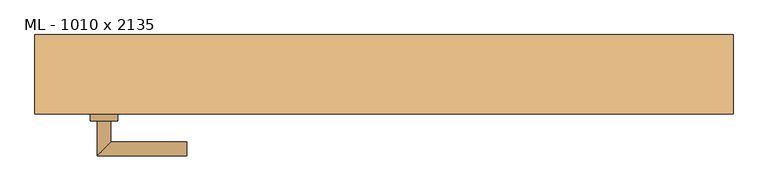
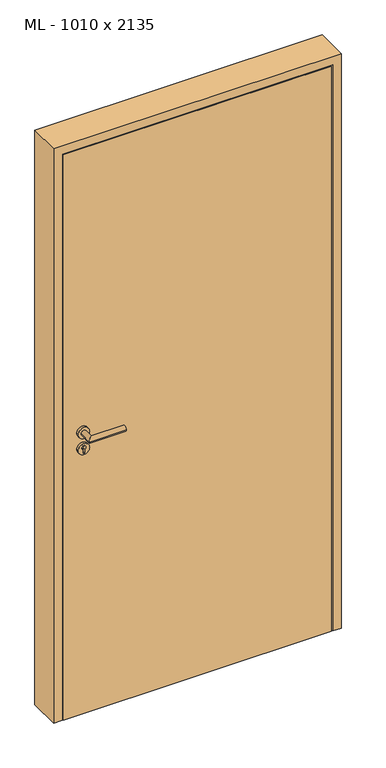
"""IFC4 building model written with IfcOpenShell, lengths in millimetres: door geometry, ML - 1010 x 2135."""

from ifc_helpers import new_model, si_unit, point, frame, frame_2d, origin, origin_with_axes, place, context, project, spatial, polyline, circle_curve, ellipse_curve, trimmed, segment, composite_curve, outline, extrude, faceted_brep, source, transform, mapped, element, save
from ifc_brep_helpers import plane_surface, cylinder_surface, advanced_brep


def ml_1010_x_2135_76923a42(model_context):
    return source(origin(), model_context, "Body", "SolidModel", [
        extrude(outline(polyline([(471.0, -57.5), (-471.0, -57.5), (-471.0, -12.5), (471.0, -12.5), (471.0, -57.5)])), origin_with_axes(), (0.0, 0.0, 1.0), 2101.0),
        advanced_brep(
        [(-395.0, -67.5, 1050.0), (-415.0, -67.5, 1050.0), (-415.0, -117.5, 1050.0), (-395.0, -97.5, 1050.0), (-285.0, -97.5, 1050.0), (-285.0, -117.5, 1050.0)],
        [
            (0, 1, circle_curve(frame((-405.0, -67.5, 1050.0), z_axis=(0.0, 1.0, 0.0), x_axis=(-1.0, 0.0, 0.0)), 10.0)),
            (1, 0, circle_curve(frame((-405.0, -67.5, 1050.0), z_axis=(0.0, 1.0, 0.0), x_axis=(-1.0, 0.0, 0.0)), 10.0)),
            (1, 2),
            (2, 3, ellipse_curve(frame((-405.0, -107.5, 1050.0), z_axis=(-0.7071067811865531, 0.7071067811865419, 0.0), x_axis=(0.707106781186542, 0.707106781186553, 0.0)), 14.1421356, 10.0)),
            (3, 0),
            (3, 2, ellipse_curve(frame((-405.0, -107.5, 1050.0), z_axis=(-0.7071067811865531, 0.7071067811865419, 0.0), x_axis=(0.707106781186542, 0.707106781186553, 0.0)), 14.1421356, 10.0)),
            (4, 5, circle_curve(frame((-285.0, -107.5, 1050.0), z_axis=(1.0, 0.0, 0.0), x_axis=(0.0, -1.0, 0.0)), 10.0)),
            (5, 4, circle_curve(frame((-285.0, -107.5, 1050.0), z_axis=(1.0, 0.0, 0.0), x_axis=(0.0, -1.0, 0.0)), 10.0)),
            (2, 5),
            (4, 3),
        ],
        [
            plane_surface(frame((-405.0, -67.5, 1050.0), z_axis=(0.0, 1.0, 0.0), x_axis=(0.0, 0.0, 1.0))),
            cylinder_surface(frame((-405.0, -67.5, 1050.0), z_axis=(0.0, 1.0, 0.0), x_axis=(-1.0, 0.0, 0.0)), 10.0),
            plane_surface(frame((-285.0, -107.5, 1050.0), z_axis=(1.0, 0.0, 0.0), x_axis=(0.0, 0.0, 1.0))),
            cylinder_surface(frame((-405.0, -107.5, 1050.0), z_axis=(-1.0, 0.0, 0.0), x_axis=(0.0, -1.0, 0.0)), 10.0),
        ],
        [
            (0, [[1, 2]]),
            (1, [[3, 4, 5, -2]]),
            (1, [[-5, 6, -3, -1]]),
            (2, [[7, 8]]),
            (3, [[9, -7, 10, -4]]),
            (3, [[-10, -8, -9, -6]]),
        ],
    ),
        extrude(outline(composite_curve([segment(trimmed(circle_curve(frame_2d((990.0, -405.0)), 20.0), [point((990.0, -425.0))], [point((990.0, -385.0))], False, "CARTESIAN"), True, "CONTINUOUS"), segment(trimmed(circle_curve(frame_2d((990.0, -405.0)), 20.0), [point((990.0, -385.0))], [point((990.0, -425.0))], False, "CARTESIAN"), True, "CONTINUOUS")], self_intersect=False), holes=[composite_curve([segment(polyline([(976.4601385, -407.397268), (988.4749012, -407.397268)]), True, "CONTINUOUS"), segment(trimmed(circle_curve(frame_2d((995.0361633, -405.0)), 6.9854888), [point((988.4749012, -407.397268))], [point((988.4749012, -402.602732))], True, "CARTESIAN"), True, "CONTINUOUS"), segment(polyline([(988.4749012, -402.602732), (976.4601385, -402.602732)]), True, "CONTINUOUS"), segment(trimmed(circle_curve(frame_2d((976.4601385, -405.0)), 2.397268), [point((976.4601385, -402.602732))], [point((976.4601385, -407.397268))], True, "CARTESIAN"), True, "CONTINUOUS")], self_intersect=False)]), frame((0.0, -67.5, 0.0), z_axis=(0.0, 1.0, 0.0), x_axis=(0.0, 0.0, 1.0)), (0.0, 0.0, 1.0), 10.0),
        advanced_brep(
        [(-395.0, -67.5, 1050.0), (-415.0, -67.5, 1050.0), (-415.0, -117.5, 1050.0), (-395.0, -97.5, 1050.0), (-285.0, -97.5, 1050.0), (-285.0, -117.5, 1050.0)],
        [
            (0, 1, circle_curve(frame((-405.0, -67.5, 1050.0), z_axis=(0.0, 1.0, 0.0), x_axis=(-1.0, 0.0, 0.0)), 10.0)),
            (1, 0, circle_curve(frame((-405.0, -67.5, 1050.0), z_axis=(0.0, 1.0, 0.0), x_axis=(-1.0, 0.0, 0.0)), 10.0)),
            (1, 2),
            (2, 3, ellipse_curve(frame((-405.0, -107.5, 1050.0), z_axis=(-0.7071067811865537, 0.7071067811865414, 0.0), x_axis=(0.7071067811865414, 0.7071067811865536, 0.0)), 14.1421356, 10.0)),
            (3, 0),
            (3, 2, ellipse_curve(frame((-405.0, -107.5, 1050.0), z_axis=(-0.7071067811865537, 0.7071067811865414, 0.0), x_axis=(0.7071067811865414, 0.7071067811865536, 0.0)), 14.1421356, 10.0)),
            (4, 5, circle_curve(frame((-285.0, -107.5, 1050.0), z_axis=(1.0, 0.0, 0.0), x_axis=(0.0, -1.0, 0.0)), 10.0)),
            (5, 4, circle_curve(frame((-285.0, -107.5, 1050.0), z_axis=(1.0, 0.0, 0.0), x_axis=(0.0, -1.0, 0.0)), 10.0)),
            (2, 5),
            (4, 3),
        ],
        [
            plane_surface(frame((-405.0, -67.5, 1050.0), z_axis=(0.0, 1.0, 0.0), x_axis=(0.0, 0.0, 1.0))),
            cylinder_surface(frame((-405.0, -67.5, 1050.0), z_axis=(0.0, 1.0, 0.0), x_axis=(-1.0, 0.0, 0.0)), 10.0),
            plane_surface(frame((-285.0, -107.5, 1050.0), z_axis=(1.0, 0.0, 0.0), x_axis=(0.0, 0.0, 1.0))),
            cylinder_surface(frame((-405.0, -107.5, 1050.0), z_axis=(-1.0, 0.0, 0.0), x_axis=(0.0, -1.0, 0.0)), 10.0),
        ],
        [
            (0, [[1, 2]]),
            (1, [[3, 4, 5, -2]]),
            (1, [[-5, 6, -3, -1]]),
            (2, [[7, 8]]),
            (3, [[9, -7, 10, -4]]),
            (3, [[-10, -8, -9, -6]]),
        ],
    ),
        extrude(outline(composite_curve([segment(trimmed(circle_curve(frame_2d((1050.0, -405.0)), 20.0), [point((1050.0, -425.0))], [point((1050.0, -385.0))], False, "CARTESIAN"), True, "CONTINUOUS"), segment(trimmed(circle_curve(frame_2d((1050.0, -405.0)), 20.0), [point((1050.0, -385.0))], [point((1050.0, -425.0))], False, "CARTESIAN"), True, "CONTINUOUS")], self_intersect=False)), frame((0.0, -67.5, 0.0), z_axis=(0.0, 1.0, 0.0), x_axis=(0.0, 0.0, 1.0)), (0.0, 0.0, 1.0), 10.0),
        advanced_brep(
        [(-395.0, -2.5, 1050.0), (-415.0, -2.5, 1050.0), (-395.0, 27.5, 1050.0), (-415.0, 47.5, 1050.0), (-285.0, 27.5, 1050.0), (-285.0, 47.5, 1050.0)],
        [
            (0, 1, circle_curve(frame((-405.0, -2.5, 1050.0), z_axis=(0.0, -1.0, 0.0), x_axis=(-1.0, 0.0, 0.0)), 10.0)),
            (1, 0, circle_curve(frame((-405.0, -2.5, 1050.0), z_axis=(0.0, -1.0, 0.0), x_axis=(-1.0, 0.0, 0.0)), 10.0)),
            (0, 2),
            (2, 3, ellipse_curve(frame((-405.0, 37.5, 1050.0), z_axis=(-0.7071067811865486, -0.7071067811865464, 0.0), x_axis=(0.7071067811865464, -0.7071067811865488, 0.0)), 14.1421356, 10.0)),
            (3, 1),
            (3, 2, ellipse_curve(frame((-405.0, 37.5, 1050.0), z_axis=(-0.7071067811865486, -0.7071067811865464, 0.0), x_axis=(0.7071067811865464, -0.7071067811865488, 0.0)), 14.1421356, 10.0)),
            (4, 5, circle_curve(frame((-285.0, 37.5, 1050.0), z_axis=(1.0, 0.0, 0.0), x_axis=(0.0, 1.0, 0.0)), 10.0)),
            (5, 4, circle_curve(frame((-285.0, 37.5, 1050.0), z_axis=(1.0, 0.0, 0.0), x_axis=(0.0, 1.0, 0.0)), 10.0)),
            (2, 4),
            (5, 3),
        ],
        [
            plane_surface(frame((-405.0, -2.5, 1050.0), z_axis=(0.0, -1.0, 0.0), x_axis=(0.0, 0.0, 1.0))),
            cylinder_surface(frame((-405.0, -2.5, 1050.0), z_axis=(0.0, -1.0, 0.0), x_axis=(-1.0, 0.0, 0.0)), 10.0),
            plane_surface(frame((-285.0, 37.5, 1050.0), z_axis=(1.0, 0.0, 0.0), x_axis=(0.0, 0.0, 1.0))),
            cylinder_surface(frame((-405.0, 37.5, 1050.0), z_axis=(-1.0, 0.0, 0.0), x_axis=(0.0, 1.0, 0.0)), 10.0),
        ],
        [
            (0, [[1, 2]]),
            (1, [[-1, 3, 4, 5]]),
            (1, [[-2, -5, 6, -3]]),
            (2, [[7, 8]]),
            (3, [[-4, 9, -8, 10]]),
            (3, [[-6, -10, -7, -9]]),
        ],
    ),
        extrude(outline(composite_curve([segment(trimmed(circle_curve(frame_2d((990.0, -405.0)), 20.0), [point((990.0, -425.0))], [point((990.0, -385.0))], False, "CARTESIAN"), True, "CONTINUOUS"), segment(trimmed(circle_curve(frame_2d((990.0, -405.0)), 20.0), [point((990.0, -385.0))], [point((990.0, -425.0))], False, "CARTESIAN"), True, "CONTINUOUS")], self_intersect=False), holes=[composite_curve([segment(polyline([(976.4601385, -407.397268), (988.4749012, -407.397268)]), True, "CONTINUOUS"), segment(trimmed(circle_curve(frame_2d((995.0361633, -405.0)), 6.9854888), [point((988.4749012, -407.397268))], [point((988.4749012, -402.602732))], True, "CARTESIAN"), True, "CONTINUOUS"), segment(polyline([(988.4749012, -402.602732), (976.4601385, -402.602732)]), True, "CONTINUOUS"), segment(trimmed(circle_curve(frame_2d((976.4601385, -405.0)), 2.397268), [point((976.4601385, -402.602732))], [point((976.4601385, -407.397268))], True, "CARTESIAN"), True, "CONTINUOUS")], self_intersect=False)]), frame((0.0, -12.5, 0.0), z_axis=(0.0, 1.0, 0.0), x_axis=(0.0, 0.0, 1.0)), (0.0, 0.0, 1.0), 10.0),
        advanced_brep(
        [(-395.0, -2.5, 1050.0), (-415.0, -2.5, 1050.0), (-395.0, 27.5, 1050.0), (-415.0, 47.5, 1050.0), (-285.0, 27.5, 1050.0), (-285.0, 47.5, 1050.0)],
        [
            (0, 1, circle_curve(frame((-405.0, -2.5, 1050.0), z_axis=(0.0, -1.0, 0.0), x_axis=(-1.0, 0.0, 0.0)), 10.0)),
            (1, 0, circle_curve(frame((-405.0, -2.5, 1050.0), z_axis=(0.0, -1.0, 0.0), x_axis=(-1.0, 0.0, 0.0)), 10.0)),
            (0, 2),
            (2, 3, ellipse_curve(frame((-405.0, 37.5, 1050.0), z_axis=(-0.7071067811865491, -0.7071067811865459, 0.0), x_axis=(0.7071067811865458, -0.7071067811865492, 0.0)), 14.1421356, 10.0)),
            (3, 1),
            (3, 2, ellipse_curve(frame((-405.0, 37.5, 1050.0), z_axis=(-0.7071067811865491, -0.7071067811865459, 0.0), x_axis=(0.7071067811865458, -0.7071067811865492, 0.0)), 14.1421356, 10.0)),
            (4, 5, circle_curve(frame((-285.0, 37.5, 1050.0), z_axis=(1.0, 0.0, 0.0), x_axis=(0.0, 1.0, 0.0)), 10.0)),
            (5, 4, circle_curve(frame((-285.0, 37.5, 1050.0), z_axis=(1.0, 0.0, 0.0), x_axis=(0.0, 1.0, 0.0)), 10.0)),
            (2, 4),
            (5, 3),
        ],
        [
            plane_surface(frame((-405.0, -2.5, 1050.0), z_axis=(0.0, -1.0, 0.0), x_axis=(0.0, 0.0, 1.0))),
            cylinder_surface(frame((-405.0, -2.5, 1050.0), z_axis=(0.0, -1.0, 0.0), x_axis=(-1.0, 0.0, 0.0)), 10.0),
            plane_surface(frame((-285.0, 37.5, 1050.0), z_axis=(1.0, 0.0, 0.0), x_axis=(0.0, 0.0, 1.0))),
            cylinder_surface(frame((-405.0, 37.5, 1050.0), z_axis=(-1.0, 0.0, 0.0), x_axis=(0.0, 1.0, 0.0)), 10.0),
        ],
        [
            (0, [[1, 2]]),
            (1, [[-1, 3, 4, 5]]),
            (1, [[-2, -5, 6, -3]]),
            (2, [[7, 8]]),
            (3, [[-4, 9, -8, 10]]),
            (3, [[-6, -10, -7, -9]]),
        ],
    ),
        extrude(outline(composite_curve([segment(trimmed(circle_curve(frame_2d((1050.0, -405.0)), 20.0), [point((1050.0, -425.0))], [point((1050.0, -385.0))], False, "CARTESIAN"), True, "CONTINUOUS"), segment(trimmed(circle_curve(frame_2d((1050.0, -405.0)), 20.0), [point((1050.0, -385.0))], [point((1050.0, -425.0))], False, "CARTESIAN"), True, "CONTINUOUS")], self_intersect=False)), frame((0.0, -12.5, 0.0), z_axis=(0.0, 1.0, 0.0), x_axis=(0.0, 0.0, 1.0)), (0.0, 0.0, 1.0), 10.0),
        faceted_brep([(-475.0, -57.5, 0.0), (-505.0, -57.5, 0.0), (-505.0, 57.5, 0.0), (-460.0, 57.5, 0.0), (-460.0, -12.5, 0.0), (-475.0, -12.5, 0.0), (-475.0, -12.5, 2105.0), (-475.0, -57.5, 2105.0), (-460.0, -12.5, 2090.0), (460.0, -12.5, 2090.0), (460.0, -12.5, 0.0), (475.0, -12.5, 0.0), (475.0, -12.5, 2105.0), (-460.0, 57.5, 2090.0), (-505.0, 57.5, 2135.0), (505.0, 57.5, 2135.0), (505.0, 57.5, 0.0), (460.0, 57.5, 0.0), (460.0, 57.5, 2090.0), (-505.0, -57.5, 2135.0), (475.0, -57.5, 2105.0), (475.0, -57.5, 0.0), (505.0, -57.5, 0.0), (505.0, -57.5, 2135.0)], [[[0, 1, 2, 3, 4, 5]], [[5, 6, 7, 0]], [[4, 8, 9, 10, 11, 12, 6, 5]], [[3, 13, 8, 4]], [[2, 14, 15, 16, 17, 18, 13, 3]], [[1, 19, 14, 2]], [[0, 7, 20, 21, 22, 23, 19, 1]], [[23, 22, 16, 15]], [[21, 11, 10, 17, 16, 22]], [[12, 11, 21, 20]], [[18, 17, 10, 9]], [[19, 23, 15, 14]], [[13, 18, 9, 8]], [[6, 12, 20, 7]]]),
    ])


if __name__ == "__main__":
    model = new_model("IFC4")
    model_context = context("Model", 3, world=origin())
    ifc_project = project(units=[si_unit("LENGTHUNIT", "METRE", prefix="MILLI")], contexts=[model_context])
    site = spatial("IfcSite", under=ifc_project)
    building = spatial("IfcBuilding", under=site)
    placement = place(None, origin())
    ml_1010_x_2135_shape = ml_1010_x_2135_76923a42(model_context)
    element("IfcDoor", 1, ObjectType="ML - 1010 x 2135", at=placement, inside=building, context=model_context, shape_type="MappedRepresentation", body=[
        mapped(ml_1010_x_2135_shape, transform((0.0, 0.0, 0.0), x_axis=(1.0, 0.0, 0.0), y_axis=(0.0, 1.0, 0.0), z_axis=(0.0, 0.0, 1.0))),
    ])
    save(model, "model.ifc")
